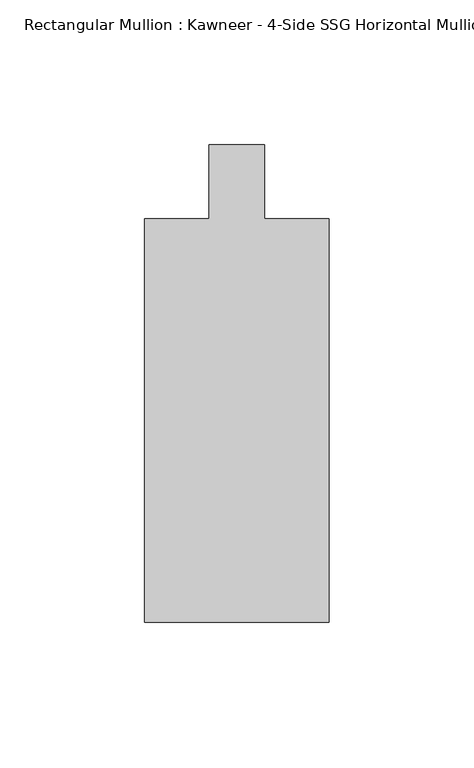
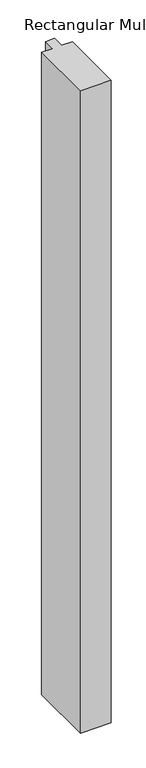
"""IFC4 building model written with IfcOpenShell, lengths in millimetres: member geometry."""

from ifc_helpers import new_model, si_unit, frame, origin, place, context, project, spatial, polyline, outline, extrude, source, transform, mapped, element, save


def member_a73c3640(model_context):
    return source(origin(), model_context, "Body", "SweptSolid", [
        extrude(outline(polyline([(-31.75, -151.892), (-31.75, -12.7), (-9.5251132, -12.7), (-9.5251132, 12.7), (9.5251132, 12.7), (9.5251132, -12.7), (31.75, -12.7), (31.75, -151.892), (-31.75, -151.892)])), frame((0.0, 0.0, -1408.5645118), z_axis=(0.0, 0.0, 1.0), x_axis=(1.0, 0.0, 0.0)), (0.0, 0.0, 1.0), 1408.5645118),
    ])


if __name__ == "__main__":
    model = new_model("IFC4")
    model_context = context("Model", 3, world=origin())
    ifc_project = project(units=[si_unit("LENGTHUNIT", "METRE", prefix="MILLI")], contexts=[model_context])
    site = spatial("IfcSite", under=ifc_project)
    building = spatial("IfcBuilding", under=site)
    placement = place(None, origin())
    member_shape = member_a73c3640(model_context)
    element("IfcMember", 1, ObjectType="Rectangular Mullion : Kawneer - 4-Side SSG Horizontal Mullion - 6 1/2\"", at=placement, inside=building, context=model_context, shape_type="MappedRepresentation", body=[
        mapped(member_shape, transform((0.0, 0.0, 0.0), x_axis=(1.0, 0.0, 0.0), y_axis=(0.0, 1.0, 0.0), z_axis=(0.0, 0.0, 1.0))),
    ])
    save(model, "model.ifc")
